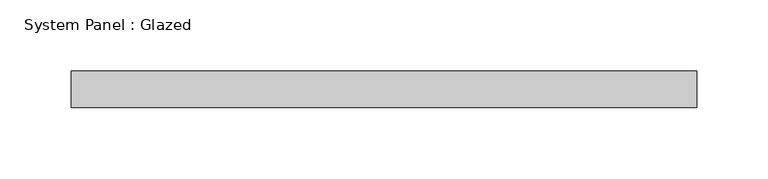
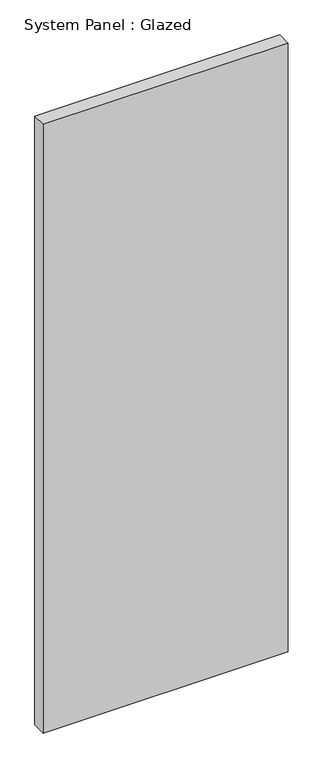
"""IFC4 building model written with IfcOpenShell, lengths in millimetres: plate geometry, System Panel : Glazed."""

from ifc_helpers import new_model, si_unit, origin, origin_with_axes, place, context, project, spatial, polyline, outline, extrude, source, transform, mapped, element, save


def system_panel_glazed_d368a3b1(model_context):
    return source(origin(), model_context, "Body", "SweptSolid", [
        extrude(outline(polyline([(219.075, -12.7), (-219.075, -12.7), (-219.075, 12.7), (219.075, 12.7), (219.075, -12.7)])), origin_with_axes(), (0.0, 0.0, 1.0), 1149.35),
    ])


if __name__ == "__main__":
    model = new_model("IFC4")
    model_context = context("Model", 3, world=origin())
    ifc_project = project(units=[si_unit("LENGTHUNIT", "METRE", prefix="MILLI")], contexts=[model_context])
    site = spatial("IfcSite", under=ifc_project)
    building = spatial("IfcBuilding", under=site)
    placement = place(None, origin())
    system_panel_glazed_shape = system_panel_glazed_d368a3b1(model_context)
    element("IfcPlate", 1, ObjectType="System Panel : Glazed", at=placement, inside=building, context=model_context, shape_type="MappedRepresentation", body=[
        mapped(system_panel_glazed_shape, transform((0.0, 0.0, 0.0), x_axis=(1.0, 0.0, 0.0), y_axis=(0.0, 1.0, 0.0), z_axis=(0.0, 0.0, 1.0))),
    ])
    save(model, "model.ifc")
